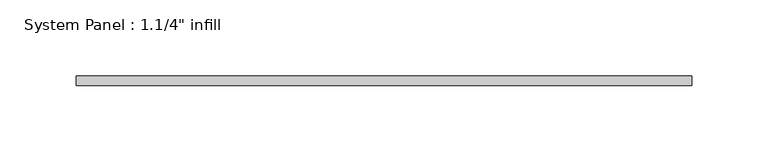
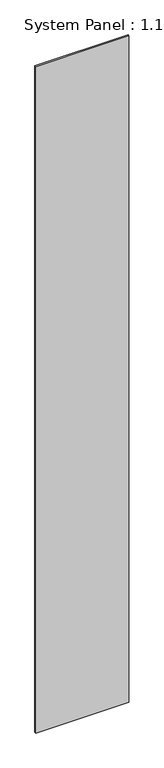
"""IFC4 building model written with IfcOpenShell, lengths in millimetres: plate geometry."""

from ifc_helpers import new_model, si_unit, origin, origin_with_axes, place, context, project, spatial, polyline, outline, extrude, source, transform, mapped, element, save


def plate_7a762406(model_context):
    return source(origin(), model_context, "Body", "SweptSolid", [
        extrude(outline(polyline([(201.6125, -6.35), (-201.6125, -6.35), (-201.6125, 0.0), (201.6125, 0.0), (201.6125, -6.35)])), origin_with_axes(), (0.0, 0.0, 1.0), 3048.0),
    ])


if __name__ == "__main__":
    model = new_model("IFC4")
    model_context = context("Model", 3, world=origin())
    ifc_project = project(units=[si_unit("LENGTHUNIT", "METRE", prefix="MILLI")], contexts=[model_context])
    site = spatial("IfcSite", under=ifc_project)
    building = spatial("IfcBuilding", under=site)
    placement = place(None, origin())
    plate_shape = plate_7a762406(model_context)
    element("IfcPlate", 1, ObjectType="System Panel : 1.1/4\" infill", at=placement, inside=building, context=model_context, shape_type="MappedRepresentation", body=[
        mapped(plate_shape, transform((0.0, 0.0, 0.0), x_axis=(1.0, 0.0, 0.0), y_axis=(0.0, 1.0, 0.0), z_axis=(0.0, 0.0, 1.0))),
    ])
    save(model, "model.ifc")
